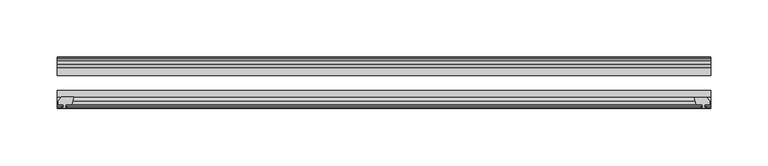
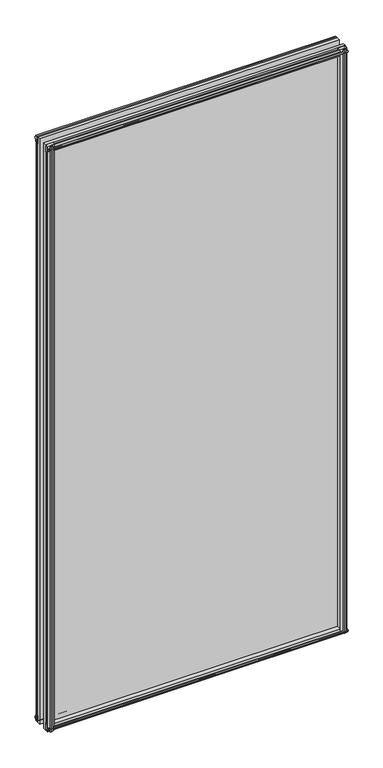
"""IFC4 building model written with IfcOpenShell, lengths in millimetres: plate geometry."""

from ifc_helpers import new_model, si_unit, frame, origin, place, context, project, spatial, polyline, outline, extrude, source, transform, mapped, element, save


def plate_6a65c403(model_context):
    return source(origin(), model_context, "Body", "SweptSolid", [
        extrude(outline(polyline([(-271.3322819, -83.1453125), (-273.05, -89.4953125), (-278.257, -89.4953125), (-278.638, -91.8755095), (-277.2224709, -91.4155762), (-277.2224709, -92.2167904), (-279.4, -92.9243125), (-281.577529, -92.2167904), (-281.577529, -91.4155762), (-280.162, -91.8755095), (-280.543, -89.4953125), (-284.988, -89.4953125), (-284.988, -86.5489125), (-282.1536578, -83.1453125), (-271.3322819, -83.1453125)])), frame((0.0, 0.0, -12.4587), z_axis=(0.0, 0.0, 1.0), x_axis=(1.0, 0.0, 0.0)), (0.0, 0.0, 1.0), 1180.6174),
        extrude(outline(polyline([(271.3538926, -83.2252021), (282.1752685, -83.2252021), (285.0096107, -86.6288021), (285.0096107, -89.5752021), (280.5646107, -89.5752021), (280.1836107, -91.9553991), (281.5991397, -91.4954658), (281.5991397, -92.29668), (279.4216107, -93.0042021), (277.2440816, -92.29668), (277.2440816, -91.4954658), (278.6596107, -91.9553991), (278.2786107, -89.5752021), (273.0716107, -89.5752021), (271.3538926, -83.2252021)])), frame((0.0, 0.0, -9.0482291), z_axis=(0.0, 0.0, 1.0), x_axis=(1.0, 0.0, 0.0)), (0.0, 0.0, 1.0), 1177.2069291),
        extrude(outline(polyline([(-280.6827, -49.0151155), (-282.098229, -49.4750488), (-282.098229, -48.6738346), (-279.9207, -47.9663125), (-277.7431709, -48.6738346), (-277.7431709, -49.4750488), (-279.1587, -49.0151155), (-278.7777, -51.3953125), (-273.5707, -51.3953125), (-271.8529819, -57.7453125), (-282.6743578, -57.7453125), (-285.5087, -54.3417125), (-285.5087, -51.3953125), (-281.0637, -51.3953125), (-280.6827, -49.0151155)])), frame((0.0, 0.0, -12.4587), z_axis=(0.0, 0.0, 1.0), x_axis=(1.0, 0.0, 0.0)), (0.0, 0.0, 1.0), 1174.2674),
        extrude(outline(polyline([(271.8529819, -57.7453125), (273.5707, -51.3953125), (278.7777, -51.3953125), (279.1587, -49.0151155), (277.7431709, -49.4750488), (277.7431709, -48.6738346), (279.9207, -47.9663125), (282.098229, -48.6738346), (282.098229, -49.4750488), (280.6827, -49.0151155), (281.0637, -51.3953125), (285.5087, -51.3953125), (285.5087, -54.3417125), (282.6743578, -57.7453125), (271.8529819, -57.7453125)])), frame((0.0, 0.0, -12.4587), z_axis=(0.0, 0.0, 1.0), x_axis=(1.0, 0.0, 0.0)), (0.0, 0.0, 1.0), 1174.2674),
        extrude(outline(polyline([(-48.6738346, -4.6931709), (-47.9663125, -6.8707), (-48.6738346, -9.0482291), (-49.4750488, -9.0482291), (-49.0151155, -7.6327), (-51.3953125, -8.0137), (-51.3953125, -12.4587), (-54.3417125, -12.4587), (-57.7453125, -9.6243578), (-57.7453125, 1.1970181), (-51.3953125, -0.5207), (-51.3953125, -5.7277), (-49.0151155, -6.1087), (-49.4750488, -4.6931709), (-48.6738346, -4.6931709)])), frame((-285.75, 0.0, 0.0), z_axis=(1.0, 0.0, 0.0), x_axis=(0.0, 1.0, 0.0)), (0.0, 0.0, 1.0), 571.4999999),
        extrude(outline(polyline([(-83.1453125, 1.7177181), (-83.1453125, -9.1036578), (-86.5489125, -11.938), (-89.4953125, -11.938), (-89.4953125, -7.493), (-91.8755095, -7.112), (-91.4155762, -8.5275291), (-92.2167904, -8.5275291), (-92.9243125, -6.35), (-92.2167904, -4.1724709), (-91.4155762, -4.1724709), (-91.8755095, -5.588), (-89.4953125, -5.207), (-89.4953125, 0.0), (-83.1453125, 1.7177181)])), frame((-285.75, 0.0, 0.0), z_axis=(1.0, 0.0, 0.0), x_axis=(0.0, 1.0, 0.0)), (0.0, 0.0, 1.0), 571.4999999),
        extrude(outline(polyline([(-49.0151155, 1163.3327), (-49.4750488, 1164.7482291), (-48.6738346, 1164.7482291), (-47.9663125, 1162.5707), (-48.6738346, 1160.3931709), (-49.4750488, 1160.3931709), (-49.0151155, 1161.8087), (-51.3953125, 1161.4277), (-51.3953125, 1156.2207), (-57.7453125, 1154.5029819), (-57.7453125, 1165.3243578), (-54.3417125, 1168.1587), (-51.3953125, 1168.1587), (-51.3953125, 1163.7137), (-49.0151155, 1163.3327)])), frame((-285.75, 0.0, 0.0), z_axis=(1.0, 0.0, 0.0), x_axis=(0.0, 1.0, 0.0)), (0.0, 0.0, 1.0), 571.4999999),
        extrude(outline(polyline([(-89.4953125, 1167.638), (-86.5489125, 1167.638), (-83.1453125, 1164.8036578), (-83.1453125, 1153.9822819), (-89.4953125, 1155.7), (-89.4953125, 1160.907), (-91.8755095, 1161.288), (-91.4155762, 1159.8724709), (-92.2167904, 1159.8724709), (-92.9243125, 1162.05), (-92.2167904, 1164.2275291), (-91.4155762, 1164.2275291), (-91.8755095, 1162.812), (-89.4953125, 1163.193), (-89.4953125, 1167.638)])), frame((-285.75, 0.0, 0.0), z_axis=(1.0, 0.0, 0.0), x_axis=(0.0, 1.0, 0.0)), (0.0, 0.0, 1.0), 571.4999999),
        extrude(outline(polyline([(-285.75, -57.7453125), (285.75, -57.7453125), (285.75, -64.0953125), (-285.75, -64.0953125), (-285.75, -57.7453125)])), frame((0.0, 0.0, -12.7), z_axis=(0.0, 0.0, 1.0), x_axis=(1.0, 0.0, 0.0)), (0.0, 0.0, 1.0), 1181.1),
        extrude(outline(polyline([(-285.75, -77.1178925), (285.75, -77.1178925), (285.75, -83.1453125), (-285.75, -83.1453125), (-285.75, -77.1178925)])), frame((0.0, 0.0, -12.7), z_axis=(0.0, 0.0, 1.0), x_axis=(1.0, 0.0, 0.0)), (0.0, 0.0, 1.0), 1181.1),
    ])


if __name__ == "__main__":
    model = new_model("IFC4")
    model_context = context("Model", 3, world=origin())
    ifc_project = project(units=[si_unit("LENGTHUNIT", "METRE", prefix="MILLI")], contexts=[model_context])
    site = spatial("IfcSite", under=ifc_project)
    building = spatial("IfcBuilding", under=site)
    placement = place(None, origin())
    plate_shape = plate_6a65c403(model_context)
    element("IfcPlate", 1, at=placement, inside=building, context=model_context, shape_type="MappedRepresentation", body=[
        mapped(plate_shape, transform((0.0, 0.0, 0.0), x_axis=(1.0, 0.0, 0.0), y_axis=(0.0, 1.0, 0.0), z_axis=(0.0, 0.0, 1.0))),
    ])
    save(model, "model.ifc")
